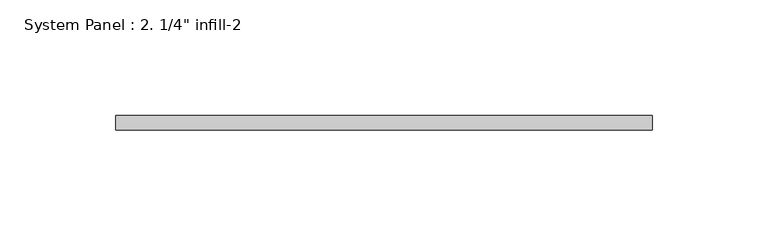
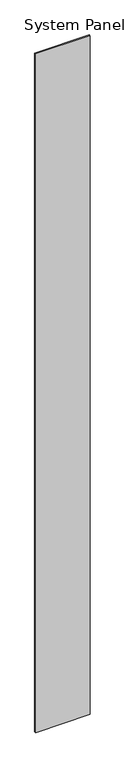
"""IFC4 building model written with IfcOpenShell, lengths in millimetres: plate geometry."""

from ifc_helpers import new_model, si_unit, origin, origin_with_axes, place, context, project, spatial, polyline, outline, extrude, source, transform, mapped, element, save


def plate_f61576ec(model_context):
    return source(origin(), model_context, "Body", "SweptSolid", [
        extrude(outline(polyline([(116.0645697, 0.0), (-116.0645697, 0.0), (-116.0645697, 6.35), (116.0645697, 6.35), (116.0645697, 0.0)])), origin_with_axes(), (0.0, 0.0, 1.0), 3048.0),
    ])


if __name__ == "__main__":
    model = new_model("IFC4")
    model_context = context("Model", 3, world=origin())
    ifc_project = project(units=[si_unit("LENGTHUNIT", "METRE", prefix="MILLI")], contexts=[model_context])
    site = spatial("IfcSite", under=ifc_project)
    building = spatial("IfcBuilding", under=site)
    placement = place(None, origin())
    plate_shape = plate_f61576ec(model_context)
    element("IfcPlate", 1, ObjectType="System Panel : 2. 1/4\" infill-2", at=placement, inside=building, context=model_context, shape_type="MappedRepresentation", body=[
        mapped(plate_shape, transform((0.0, 0.0, 0.0), x_axis=(1.0, 0.0, 0.0), y_axis=(0.0, 1.0, 0.0), z_axis=(0.0, 0.0, 1.0))),
    ])
    save(model, "model.ifc")
